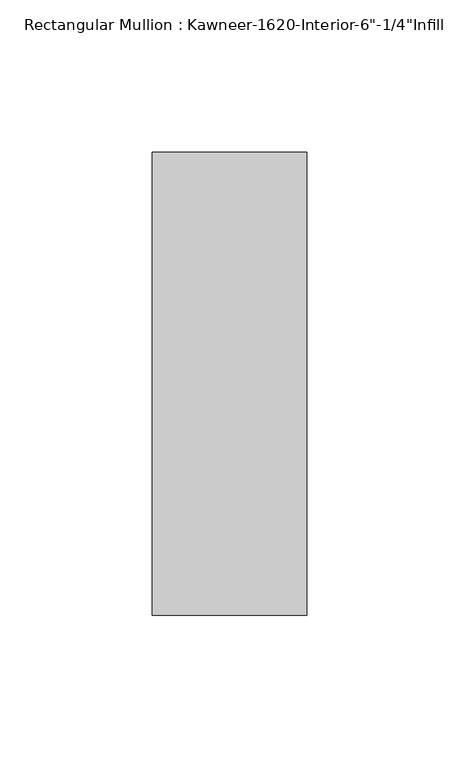
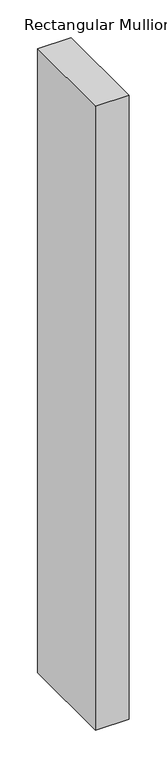
"""IFC4 building model written with IfcOpenShell, lengths in millimetres: member geometry."""

from ifc_helpers import new_model, si_unit, frame, origin, place, context, project, spatial, polyline, outline, extrude, source, transform, mapped, element, save


def member_06a41ad0(model_context):
    return source(origin(), model_context, "Body", "SweptSolid", [
        extrude(outline(polyline([(25.4, -123.825), (-25.4, -123.825), (-25.4, 28.575), (25.4, 28.575), (25.4, -123.825)])), frame((0.0, 0.0, -1003.3), z_axis=(0.0, 0.0, 1.0), x_axis=(1.0, 0.0, 0.0)), (0.0, 0.0, 1.0), 1003.3),
    ])


if __name__ == "__main__":
    model = new_model("IFC4")
    model_context = context("Model", 3, world=origin())
    ifc_project = project(units=[si_unit("LENGTHUNIT", "METRE", prefix="MILLI")], contexts=[model_context])
    site = spatial("IfcSite", under=ifc_project)
    building = spatial("IfcBuilding", under=site)
    placement = place(None, origin())
    member_shape = member_06a41ad0(model_context)
    element("IfcMember", 1, ObjectType="Rectangular Mullion : Kawneer-1620-Interior-6\"-1/4\"Infill", at=placement, inside=building, context=model_context, shape_type="MappedRepresentation", body=[
        mapped(member_shape, transform((0.0, 0.0, 0.0), x_axis=(1.0, 0.0, 0.0), y_axis=(0.0, 1.0, 0.0), z_axis=(0.0, 0.0, 1.0))),
    ])
    save(model, "model.ifc")
